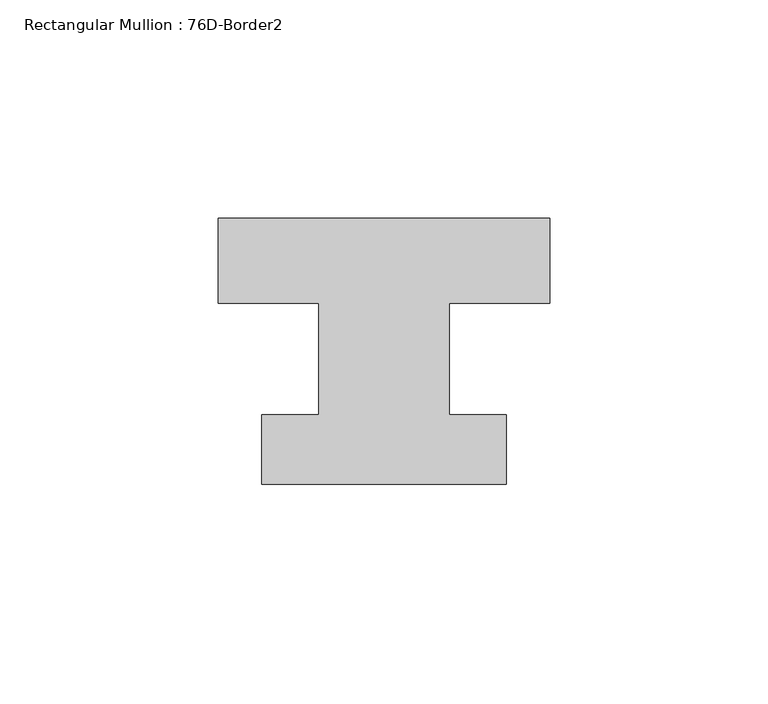
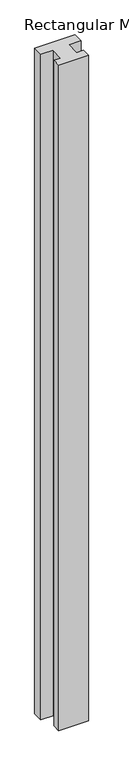
"""IFC4 building model written with IfcOpenShell, lengths in millimetres: member geometry, Rectangular Mullion : 76D-Border2."""

from ifc_helpers import new_model, si_unit, frame, origin, place, context, project, spatial, polyline, outline, extrude, source, transform, mapped, element, save


def rectangular_mullion_76d_border2_7c839d81(model_context):
    return source(origin(), model_context, "Body", "SweptSolid", [
        extrude(outline(polyline([(0.0, 20.0), (0.0, 0.5), (-23.0, 0.5), (-23.0, -25.0), (-10.0, -25.0), (-10.0, -41.0), (-66.0, -41.0), (-66.0, -25.0), (-53.0, -25.0), (-53.0, 0.5), (-76.0, 0.5), (-76.0, 20.0), (0.0, 20.0)])), frame((0.0, 0.0, -1322.465707), z_axis=(0.0, 0.0, 1.0), x_axis=(1.0, 0.0, 0.0)), (0.0, 0.0, 1.0), 1322.465707),
    ])


if __name__ == "__main__":
    model = new_model("IFC4")
    model_context = context("Model", 3, world=origin())
    ifc_project = project(units=[si_unit("LENGTHUNIT", "METRE", prefix="MILLI")], contexts=[model_context])
    site = spatial("IfcSite", under=ifc_project)
    building = spatial("IfcBuilding", under=site)
    placement = place(None, origin())
    rectangular_mullion_76d_border2_shape = rectangular_mullion_76d_border2_7c839d81(model_context)
    element("IfcMember", 1, ObjectType="Rectangular Mullion : 76D-Border2", at=placement, inside=building, context=model_context, shape_type="MappedRepresentation", body=[
        mapped(rectangular_mullion_76d_border2_shape, transform((0.0, 0.0, 0.0), x_axis=(1.0, 0.0, 0.0), y_axis=(0.0, 1.0, 0.0), z_axis=(0.0, 0.0, 1.0))),
    ])
    save(model, "model.ifc")
